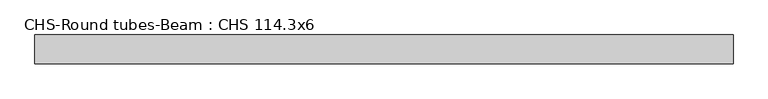
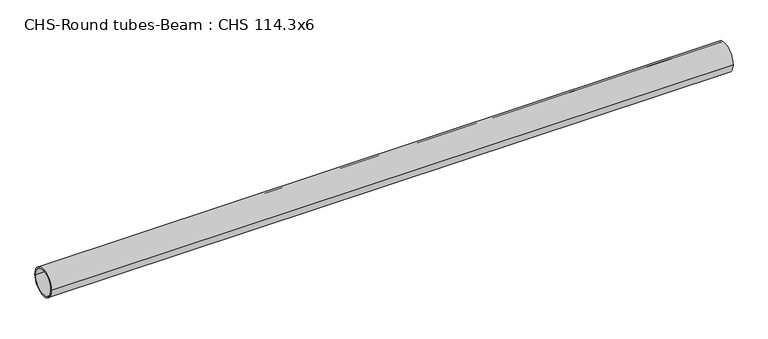
"""IFC4 building model written with IfcOpenShell, lengths in millimetres: beam geometry, CHS-Round tubes-Beam : CHS 114.3x6."""

from ifc_helpers import new_model, si_unit, point, frame, origin, origin_2d, place, context, project, spatial, circle_curve, trimmed, segment, composite_curve, outline, extrude, source, transform, mapped, element, save


def chs_round_tubes_beam_chs_114_3x6_abe746dd(model_context):
    return source(origin(), model_context, "Body", "SweptSolid", [
        extrude(outline(composite_curve([segment(trimmed(circle_curve(origin_2d(), 57.15), [point((57.15, 0.0))], [point((-57.15, 0.0))], False, "CARTESIAN"), True, "CONTINUOUS"), segment(trimmed(circle_curve(origin_2d(), 57.15), [point((-57.15, 0.0))], [point((57.15, 0.0))], False, "CARTESIAN"), True, "CONTINUOUS")], self_intersect=False), holes=[composite_curve([segment(trimmed(circle_curve(origin_2d(), 51.15), [point((51.15, 0.0))], [point((-51.15, 0.0))], True, "CARTESIAN"), True, "CONTINUOUS"), segment(trimmed(circle_curve(origin_2d(), 51.15), [point((-51.15, 0.0))], [point((51.15, 0.0))], True, "CARTESIAN"), True, "CONTINUOUS")], self_intersect=False)]), frame((-1326.1234406, 0.0, 0.0), z_axis=(1.0, 0.0, 0.0), x_axis=(0.0, 1.0, 0.0)), (0.0, 0.0, 1.0), 2746.1609555),
    ])


if __name__ == "__main__":
    model = new_model("IFC4")
    model_context = context("Model", 3, world=origin())
    ifc_project = project(units=[si_unit("LENGTHUNIT", "METRE", prefix="MILLI")], contexts=[model_context])
    site = spatial("IfcSite", under=ifc_project)
    building = spatial("IfcBuilding", under=site)
    placement = place(None, origin())
    chs_round_tubes_beam_chs_114_3x6_shape = chs_round_tubes_beam_chs_114_3x6_abe746dd(model_context)
    element("IfcBeam", 1, ObjectType="CHS-Round tubes-Beam : CHS 114.3x6", at=placement, inside=building, context=model_context, shape_type="MappedRepresentation", body=[
        mapped(chs_round_tubes_beam_chs_114_3x6_shape, transform((0.0, 0.0, 0.0), x_axis=(1.0, 0.0, 0.0), y_axis=(0.0, 1.0, 0.0), z_axis=(0.0, 0.0, 1.0))),
    ])
    save(model, "model.ifc")
